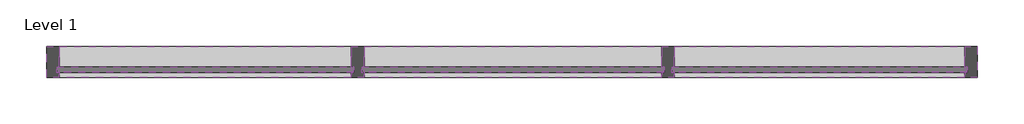
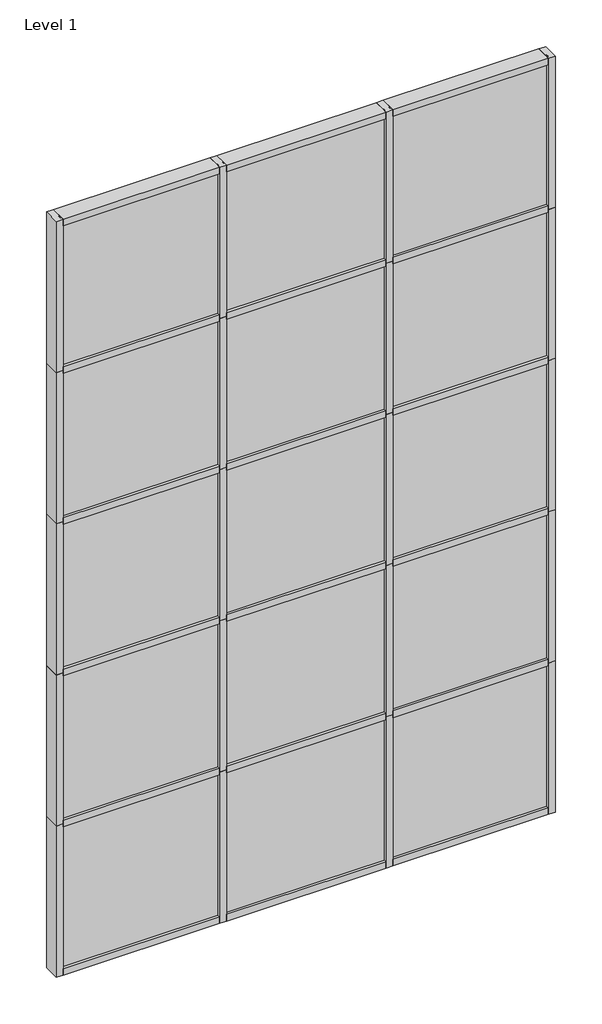
# One storey: 38 members, 15 plates.
"""IFC4 building model written with IfcOpenShell, lengths in millimetres."""

import ifcopenshell
import ifcopenshell.guid

model = None  # the IFC model being written
_history = None  # IfcOwnerHistory: only IFC2X3 demands one
_inside = {}  # id of a spatial element -> (the spatial element, [elements in it])
_under = {}  # id of a project, library or spatial element -> (it, [spatial elements below it])
_declared = {}  # id of a project -> (the project, [libraries it declares])
_typed = {}  # id of a type object -> (the type object, [elements of that type])
_made_of = {}  # id of a material, layer set ... -> (it, [elements and type objects made of it])


def new_model(schema):
    """Start an empty IFC model of exactly this schema.

    Asked for "IFC4X3", IfcOpenShell would pick the latest addendum, in which some entities
    have other attributes; the version numbers below select the first issue.
    IFC2X3 requires an IfcOwnerHistory on every rooted entity: one is made here for all.
    """
    global model, _history
    if schema == "IFC4X3":
        model = ifcopenshell.file(schema_version=(4, 3, 0, 0))
    else:
        model = ifcopenshell.file(schema=schema)
    _inside.clear()
    _under.clear()
    _declared.clear()
    _typed.clear()
    _made_of.clear()
    _history = None
    if model.schema == "IFC2X3":
        org = make("IfcOrganization", Name="unknown")
        user = make(
            "IfcPersonAndOrganization",
            ThePerson=make("IfcPerson", FamilyName="unknown"),
            TheOrganization=org,
        )
        app = make(
            "IfcApplication",
            ApplicationDeveloper=org,
            Version="unknown",
            ApplicationFullName="unknown",
            ApplicationIdentifier="unknown",
        )
        _history = make(
            "IfcOwnerHistory",
            OwningUser=user,
            OwningApplication=app,
            ChangeAction="ADDED",
            CreationDate=0,
        )
    return model


def make(cls, **values):
    """One entity of the class cls with the attributes given. An attribute that is None is left unset."""
    return model.create_entity(
        cls, **{name: value for name, value in values.items() if value is not None}
    )


def rooted(cls, **values):
    """An entity with a GlobalId (a new one), such as an element, a storey or a relation."""
    return make(cls, GlobalId=ifcopenshell.guid.new(), OwnerHistory=_history, **values)


def si_unit(unit_type, name, prefix=None):
    """IfcSIUnit, for example si_unit("LENGTHUNIT", "METRE", prefix="MILLI")."""
    return make("IfcSIUnit", UnitType=unit_type, Prefix=prefix, Name=name)


def assignment(units):
    """IfcUnitAssignment: the units of a project."""
    return None if units is None else make("IfcUnitAssignment", Units=units)


def point(xyz):
    """IfcCartesianPoint."""
    return None if xyz is None else make("IfcCartesianPoint", Coordinates=xyz)


def direction(xyz):
    """IfcDirection."""
    return None if xyz is None else make("IfcDirection", DirectionRatios=xyz)


def frame(location, z_axis=None, x_axis=None):
    """IfcAxis2Placement3D, a coordinate frame: its origin and axes. An axis left out is left unset."""
    return make(
        "IfcAxis2Placement3D",
        Location=point(location),
        Axis=direction(z_axis),
        RefDirection=direction(x_axis),
    )


def origin():
    """The frame at (0, 0, 0) with its axes left unset."""
    return frame((0.0, 0.0, 0.0))


def origin_with_axes():
    """The frame at (0, 0, 0) with the z axis (0, 0, 1) and the x axis (1, 0, 0) written out."""
    return frame((0.0, 0.0, 0.0), z_axis=(0.0, 0.0, 1.0), x_axis=(1.0, 0.0, 0.0))


def place(relative_to, where):
    """IfcLocalPlacement: puts the frame where relative to a parent placement (None: the world)."""
    return make(
        "IfcLocalPlacement", PlacementRelTo=relative_to, RelativePlacement=where
    )


def context(
    kind, dimensions, precision=None, world=None, true_north=None, identifier=None
):
    """IfcGeometricRepresentationContext, for example the 3D "Model" context."""
    return make(
        "IfcGeometricRepresentationContext",
        ContextIdentifier=identifier,
        ContextType=kind,
        CoordinateSpaceDimension=dimensions,
        Precision=precision,
        WorldCoordinateSystem=world,
        TrueNorth=true_north,
    )


def project(units=None, contexts=None):
    """IfcProject with its units and contexts."""
    return rooted(
        "IfcProject",
        Name="project",
        RepresentationContexts=contexts,
        UnitsInContext=assignment(units),
    )


def spatial(cls, under=None, at=None, **own):
    """A site, building, storey or space (cls), placed at a placement, below another one or the project."""
    s = rooted(cls, ObjectPlacement=at, **own)
    if under is not None:
        _under.setdefault(under.id(), (under, []))[1].append(s)
    return s


def polyline(points):
    """IfcPolyline through the points."""
    return make("IfcPolyline", Points=[point(p) for p in points])


def outline(outer, holes=None, kind="AREA"):
    """IfcArbitraryClosedProfileDef: a profile drawn as a closed curve; with holes, ...WithVoids."""
    if holes is None:
        return make("IfcArbitraryClosedProfileDef", ProfileType=kind, OuterCurve=outer)
    return make(
        "IfcArbitraryProfileDefWithVoids",
        ProfileType=kind,
        OuterCurve=outer,
        InnerCurves=holes,
    )


def extrude(swept, where, along, depth):
    """IfcExtrudedAreaSolid: the profile swept, set in the frame where, extruded along a direction by depth."""
    return make(
        "IfcExtrudedAreaSolid",
        SweptArea=swept,
        Position=where,
        ExtrudedDirection=direction(along),
        Depth=depth,
    )


def shape(context_of_items, identifier, shape_type, items):
    """IfcShapeRepresentation: the items that make up one representation, for example the "Body"."""
    return make(
        "IfcShapeRepresentation",
        ContextOfItems=context_of_items,
        RepresentationIdentifier=identifier,
        RepresentationType=shape_type,
        Items=items,
    )


def source(mapping_origin, context_of_items, identifier, shape_type, items):
    """IfcRepresentationMap: a shape defined once, which mapped items show again and again."""
    return make(
        "IfcRepresentationMap",
        MappingOrigin=mapping_origin,
        MappedRepresentation=shape(context_of_items, identifier, shape_type, items),
    )


def transform(
    local_origin,
    x_axis=None,
    y_axis=None,
    z_axis=None,
    scale=None,
    scale2=None,
    scale3=None,
    uniform=True,
):
    """IfcCartesianTransformationOperator3D, or its non-uniform kind. x_axis, y_axis, z_axis: its Axis1, 2, 3."""
    if uniform:
        return make(
            "IfcCartesianTransformationOperator3D",
            Axis1=direction(x_axis),
            Axis2=direction(y_axis),
            LocalOrigin=point(local_origin),
            Scale=scale,
            Axis3=direction(z_axis),
        )
    return make(
        "IfcCartesianTransformationOperator3DnonUniform",
        Axis1=direction(x_axis),
        Axis2=direction(y_axis),
        LocalOrigin=point(local_origin),
        Scale=scale,
        Axis3=direction(z_axis),
        Scale2=scale2,
        Scale3=scale3,
    )


def mapped(mapping_source, mapping_target):
    """IfcMappedItem: shows the shape of a source again, moved by a transform."""
    return make(
        "IfcMappedItem", MappingSource=mapping_source, MappingTarget=mapping_target
    )


def made_of(thing, what):
    """Note that an element or type object is made of a material, layer set ...; save() writes the relation."""
    if what is not None:
        _made_of.setdefault(what.id(), (what, []))[1].append(thing)
    return thing


def element(
    cls,
    number,
    at=None,
    inside=None,
    cuts=None,
    type_object=None,
    material=None,
    context=None,
    identifier="Body",
    shape_type=None,
    held_by="IfcProductDefinitionShape",
    body=None,
    shapes=None,
    **own,
):
    """One element of the class cls, such as IfcWall. Its Tag is "e" and its number.

    at: its placement. inside: the storey or other place that contains it. cuts: it is an
    opening in that element (IfcRelVoidsElement). A single representation is given by context,
    identifier, shape_type and body (its items); several are given by shapes. held_by: the class
    of the entity that holds the representations. save() writes the other relations.
    """
    e = rooted(cls, Tag="e%d" % number, ObjectPlacement=at, **own)
    if body is not None:
        shapes = [shape(context, identifier, shape_type, body)]
    if shapes is not None:
        e.Representation = make(held_by, Representations=shapes)
    if inside is not None:
        _inside.setdefault(inside.id(), (inside, []))[1].append(e)
    if cuts is not None:
        rooted(
            "IfcRelVoidsElement", RelatingBuildingElement=cuts, RelatedOpeningElement=e
        )
    if type_object is not None:
        _typed.setdefault(type_object.id(), (type_object, []))[1].append(e)
    return made_of(e, material)


def aggregate(whole, parts):
    """IfcRelAggregates: a whole, such as a stair, and the parts it consists of."""
    return rooted("IfcRelAggregates", RelatingObject=whole, RelatedObjects=parts)


def save(model, path):
    """Write the relations noted so far, then the file.

    IfcRelAggregates (storeys below a building ...), IfcRelContainedInSpatialStructure (elements
    in a storey), IfcRelDefinesByType, IfcRelAssociatesMaterial and IfcRelDeclares: one each for
    every whole, place, type object, material and project.
    """
    for whole, parts in _under.values():
        aggregate(whole, parts)
    for where, things in _inside.values():
        rooted(
            "IfcRelContainedInSpatialStructure",
            RelatedElements=things,
            RelatingStructure=where,
        )
    for kind, things in _typed.values():
        rooted("IfcRelDefinesByType", RelatedObjects=things, RelatingType=kind)
    for what, things in _made_of.values():
        rooted("IfcRelAssociatesMaterial", RelatedObjects=things, RelatingMaterial=what)
    for by, libraries in _declared.values():
        rooted("IfcRelDeclares", RelatingContext=by, RelatedDefinitions=libraries)
    model.write(path)


def rectangular_mullion_kawneer_1600_sys_3_6_mullion_head_7720c90a(model_context):
    return source(origin(), model_context, "Body", "SweptSolid", [
        extrude(outline(polyline([(-63.5, -114.3), (-63.5, -12.7), (-50.7982296, -12.7), (-50.7982296, 12.7), (-63.5, 12.7), (-63.5, 38.1), (0.0, 38.1), (0.0, -114.3), (-63.5, -114.3)])), frame((0.0, 0.0, -1424.4155973), z_axis=(0.0, 0.0, 1.0), x_axis=(1.0, 0.0, 0.0)), (0.0, 0.0, 1.0), 1424.4155973),
    ])


def rectangular_mullion_kawneer_1600_sys_3_6_mullion_head_f3f1471e(model_context):
    return source(origin(), model_context, "Body", "SweptSolid", [
        extrude(outline(polyline([(-63.5, -114.3), (-63.5, -12.7), (-50.7982296, -12.7), (-50.7982296, 12.7), (-63.5, 12.7), (-63.5, 38.1), (0.0, 38.1), (0.0, -114.3), (-63.5, -114.3)])), frame((0.0, 0.0, -1433.0844027), z_axis=(0.0, 0.0, 1.0), x_axis=(1.0, 0.0, 0.0)), (0.0, 0.0, 1.0), 1433.0844027),
    ])


def rectangular_mullion_kawneer_1600_sys_3_6_mullion_head_5498841b(model_context):
    return source(origin(), model_context, "Body", "SweptSolid", [
        extrude(outline(polyline([(-63.5, -114.3), (-63.5, -12.7), (-50.7982296, -12.7), (-50.7982296, 12.7), (-63.5, 12.7), (-63.5, 38.1), (0.0, 38.1), (0.0, -114.3), (-63.5, -114.3)])), frame((0.0, 0.0, -1460.5), z_axis=(0.0, 0.0, 1.0), x_axis=(1.0, 0.0, 0.0)), (0.0, 0.0, 1.0), 1460.5),
    ])


def rectangular_mullion_kawneer_1600_sys_3_6_mullion_horizontal_4b6db8d6(model_context):
    return source(origin(), model_context, "Body", "SweptSolid", [
        extrude(outline(polyline([(36.0844027, -114.3), (-27.4155973, -114.3), (-27.4155973, -12.7), (-14.7155973, -12.7), (-14.7155973, 12.7), (-27.4155973, 12.7), (-27.4155973, 38.1), (36.0844027, 38.1), (36.0844027, 12.7), (23.3826322, 12.7), (23.3826322, -12.7), (36.0844027, -12.7), (36.0844027, -114.3)])), frame((0.0, 0.0, -1433.0844027), z_axis=(0.0, 0.0, 1.0), x_axis=(1.0, 0.0, 0.0)), (0.0, 0.0, 1.0), 1433.0844027),
    ])


def rectangular_mullion_kawneer_1600_sys_3_6_mullion_horizontal_78cf1012(model_context):
    return source(origin(), model_context, "Body", "SweptSolid", [
        extrude(outline(polyline([(36.0844027, -114.3), (-27.4155973, -114.3), (-27.4155973, -12.7), (-14.7155973, -12.7), (-14.7155973, 12.7), (-27.4155973, 12.7), (-27.4155973, 38.1), (36.0844027, 38.1), (36.0844027, 12.7), (23.3826322, 12.7), (23.3826322, -12.7), (36.0844027, -12.7), (36.0844027, -114.3)])), frame((0.0, 0.0, -1460.5), z_axis=(0.0, 0.0, 1.0), x_axis=(1.0, 0.0, 0.0)), (0.0, 0.0, 1.0), 1460.5),
    ])


def rectangular_mullion_kawneer_1600_sys_3_6_mullion_horizontal_c7d92e75(model_context):
    return source(origin(), model_context, "Body", "SweptSolid", [
        extrude(outline(polyline([(36.0844027, -114.3), (-27.4155973, -114.3), (-27.4155973, -12.7), (-14.7155973, -12.7), (-14.7155973, 12.7), (-27.4155973, 12.7), (-27.4155973, 38.1), (36.0844027, 38.1), (36.0844027, 12.7), (23.3826322, 12.7), (23.3826322, -12.7), (36.0844027, -12.7), (36.0844027, -114.3)])), frame((0.0, 0.0, -1424.4155973), z_axis=(0.0, 0.0, 1.0), x_axis=(1.0, 0.0, 0.0)), (0.0, 0.0, 1.0), 1424.4155973),
    ])


def rectangular_mullion_kawneer_1600_sys_3_6_mullion_jamb_l_1a0ed977(model_context):
    return source(origin(), model_context, "Body", "SweptSolid", [
        extrude(outline(polyline([(-63.5, -114.3), (-63.5, -12.7), (-50.7982296, -12.7), (-50.7982296, 12.7), (-63.5, 12.7), (-63.5, 38.1), (0.0, 38.1), (0.0, -114.3), (-63.5, -114.3)])), frame((0.0, 0.0, -1463.04), z_axis=(0.0, 0.0, 1.0), x_axis=(1.0, 0.0, 0.0)), (0.0, 0.0, 1.0), 1463.04),
    ])


def rectangular_mullion_kawneer_1600_sys_3_6_mullion_vertical_940222d6(model_context):
    return source(origin(), model_context, "Body", "SweptSolid", [
        extrude(outline(polyline([(36.0844027, -114.3), (-27.4155973, -114.3), (-27.4155973, -12.7), (-14.7155973, -12.7), (-14.7155973, 12.7), (-27.4155973, 12.7), (-27.4155973, 38.1), (36.0844027, 38.1), (36.0844027, 12.7), (23.3826322, 12.7), (23.3826322, -12.7), (36.0844027, -12.7), (36.0844027, -114.3)])), frame((0.0, 0.0, -1463.04), z_axis=(0.0, 0.0, 1.0), x_axis=(1.0, 0.0, 0.0)), (0.0, 0.0, 1.0), 1463.04),
    ])


def plate_e52e743c(model_context):
    return source(origin(), model_context, "Body", "SweptSolid", [
        extrude(outline(polyline([(729.2430865, -12.7), (-729.2430865, -12.7), (-729.2430865, 12.7), (729.2430865, 12.7), (729.2430865, -12.7)])), origin_with_axes(), (0.0, 0.0, 1.0), 1397.5261731),
    ])


def plate_84a3765b(model_context):
    return source(origin(), model_context, "Body", "SweptSolid", [
        extrude(outline(polyline([(729.2430865, -12.7), (-729.2430865, -12.7), (-729.2430865, 12.7), (729.2430865, 12.7), (729.2430865, -12.7)])), origin_with_axes(), (0.0, 0.0, 1.0), 1424.9417704),
    ])


def plate_def5feae(model_context):
    return source(origin(), model_context, "Body", "SweptSolid", [
        extrude(outline(polyline([(742.9508852, -12.7), (-742.9508852, -12.7), (-742.9508852, 12.7), (742.9508852, 12.7), (742.9508852, -12.7)])), origin_with_axes(), (0.0, 0.0, 1.0), 1397.5261731),
    ])


def plate_6e5e0575(model_context):
    return source(origin(), model_context, "Body", "SweptSolid", [
        extrude(outline(polyline([(742.9508852, -12.7), (-742.9508852, -12.7), (-742.9508852, 12.7), (742.9508852, 12.7), (742.9508852, -12.7)])), origin_with_axes(), (0.0, 0.0, 1.0), 1424.9417704),
    ])


def plate_3507926e(model_context):
    return source(origin(), model_context, "Body", "SweptSolid", [
        extrude(outline(polyline([(724.9095691, -12.7), (-724.9095691, -12.7), (-724.9095691, 12.7), (724.9095691, 12.7), (724.9095691, -12.7)])), origin_with_axes(), (0.0, 0.0, 1.0), 1397.5261731),
    ])


def plate_f3bad645(model_context):
    return source(origin(), model_context, "Body", "SweptSolid", [
        extrude(outline(polyline([(724.9095691, -12.7), (-724.9095691, -12.7), (-724.9095691, 12.7), (724.9095691, 12.7), (724.9095691, -12.7)])), origin_with_axes(), (0.0, 0.0, 1.0), 1424.9417704),
    ])


def plate_84efa00e(model_context):
    return source(origin(), model_context, "Body", "SweptSolid", [
        extrude(outline(polyline([(729.2430865, -12.7), (-729.2430865, -12.7), (-729.2430865, 12.7), (729.2430865, 12.7), (729.2430865, -12.7)])), origin_with_axes(), (0.0, 0.0, 1.0), 1388.8591382),
    ])


def plate_d9548aca(model_context):
    return source(origin(), model_context, "Body", "SweptSolid", [
        extrude(outline(polyline([(742.9508852, -12.7), (-742.9508852, -12.7), (-742.9508852, 12.7), (742.9508852, 12.7), (742.9508852, -12.7)])), origin_with_axes(), (0.0, 0.0, 1.0), 1388.8591382),
    ])


def plate_4c2ba665(model_context):
    return source(origin(), model_context, "Body", "SweptSolid", [
        extrude(outline(polyline([(724.9095691, -12.7), (-724.9095691, -12.7), (-724.9095691, 12.7), (724.9095691, 12.7), (724.9095691, -12.7)])), origin_with_axes(), (0.0, 0.0, 1.0), 1388.8591382),
    ])


model = new_model("IFC4")

# Units and contexts
model_context = context("Model", 3, world=origin())
ifc_project = project(units=[si_unit("LENGTHUNIT", "METRE", prefix="MILLI")], contexts=[model_context])

# Site, building, storey
site = spatial("IfcSite", under=ifc_project)
building = spatial("IfcBuilding", under=site)
storey = spatial("IfcBuildingStorey", under=building, Name="Level 1", Elevation=0.0)

# Members
placement = place(None, origin())
rectangular_mullion_kawneer_1600_sys_3_6_mullion_head_shape = rectangular_mullion_kawneer_1600_sys_3_6_mullion_head_7720c90a(model_context)
element("IfcMember", 1, ObjectType="Rectangular Mullion : Kawneer-1600_Sys_3-6 Mullion_Head", at=placement, inside=storey, context=model_context, shape_type="MappedRepresentation", body=[
    mapped(rectangular_mullion_kawneer_1600_sys_3_6_mullion_head_shape, transform((7949.4882675, 4173.5366393, 7315.2), x_axis=(0.0, 0.0, 1.0), y_axis=(0.0, -1.0, 0.0), z_axis=(1.0, 0.0, 0.0))),
])
rectangular_mullion_kawneer_1600_sys_3_6_mullion_head_2_shape = rectangular_mullion_kawneer_1600_sys_3_6_mullion_head_f3f1471e(model_context)
element("IfcMember", 2, ObjectType="Rectangular Mullion : Kawneer-1600_Sys_3-6 Mullion_Head", at=placement, inside=storey, context=model_context, shape_type="MappedRepresentation", body=[
    mapped(rectangular_mullion_kawneer_1600_sys_3_6_mullion_head_2_shape, transform((4937.5726702, 4173.5366393, 7315.2), x_axis=(0.0, 0.0, 1.0), y_axis=(0.0, -1.0, 0.0), z_axis=(1.0, 0.0, 0.0))),
])
rectangular_mullion_kawneer_1600_sys_3_6_mullion_head_3_shape = rectangular_mullion_kawneer_1600_sys_3_6_mullion_head_5498841b(model_context)
element("IfcMember", 3, ObjectType="Rectangular Mullion : Kawneer-1600_Sys_3-6 Mullion_Head", at=placement, inside=storey, context=model_context, shape_type="MappedRepresentation", body=[
    mapped(rectangular_mullion_kawneer_1600_sys_3_6_mullion_head_3_shape, transform((6461.5726702, 4173.5366393, 7315.2), x_axis=(0.0, 0.0, 1.0), y_axis=(0.0, -1.0, 0.0), z_axis=(1.0, 0.0, 0.0))),
])
rectangular_mullion_kawneer_1600_sys_3_6_mullion_horizontal_shape = rectangular_mullion_kawneer_1600_sys_3_6_mullion_horizontal_4b6db8d6(model_context)
element("IfcMember", 4, ObjectType="Rectangular Mullion : Kawneer-1600_Sys_3-6 Mullion_Horizontal", at=placement, inside=storey, context=model_context, shape_type="MappedRepresentation", body=[
    mapped(rectangular_mullion_kawneer_1600_sys_3_6_mullion_horizontal_shape, transform((4937.5726702, 4173.5366393, 1463.04), x_axis=(0.0, 0.0, 1.0), y_axis=(0.0, -1.0, 0.0), z_axis=(1.0, 0.0, 0.0))),
])
element("IfcMember", 5, ObjectType="Rectangular Mullion : Kawneer-1600_Sys_3-6 Mullion_Horizontal", at=placement, inside=storey, context=model_context, shape_type="MappedRepresentation", body=[
    mapped(rectangular_mullion_kawneer_1600_sys_3_6_mullion_horizontal_shape, transform((4937.5726702, 4173.5366393, 2926.08), x_axis=(0.0, 0.0, 1.0), y_axis=(0.0, -1.0, 0.0), z_axis=(1.0, 0.0, 0.0))),
])
element("IfcMember", 6, ObjectType="Rectangular Mullion : Kawneer-1600_Sys_3-6 Mullion_Horizontal", at=placement, inside=storey, context=model_context, shape_type="MappedRepresentation", body=[
    mapped(rectangular_mullion_kawneer_1600_sys_3_6_mullion_horizontal_shape, transform((4937.5726702, 4173.5366393, 4389.12), x_axis=(0.0, 0.0, 1.0), y_axis=(0.0, -1.0, 0.0), z_axis=(1.0, 0.0, 0.0))),
])
element("IfcMember", 7, ObjectType="Rectangular Mullion : Kawneer-1600_Sys_3-6 Mullion_Horizontal", at=placement, inside=storey, context=model_context, shape_type="MappedRepresentation", body=[
    mapped(rectangular_mullion_kawneer_1600_sys_3_6_mullion_horizontal_shape, transform((4937.5726702, 4173.5366393, 5852.16), x_axis=(0.0, 0.0, 1.0), y_axis=(0.0, -1.0, 0.0), z_axis=(1.0, 0.0, 0.0))),
])
rectangular_mullion_kawneer_1600_sys_3_6_mullion_horizontal_2_shape = rectangular_mullion_kawneer_1600_sys_3_6_mullion_horizontal_78cf1012(model_context)
element("IfcMember", 8, ObjectType="Rectangular Mullion : Kawneer-1600_Sys_3-6 Mullion_Horizontal", at=placement, inside=storey, context=model_context, shape_type="MappedRepresentation", body=[
    mapped(rectangular_mullion_kawneer_1600_sys_3_6_mullion_horizontal_2_shape, transform((6461.5726702, 4173.5366393, 1463.04), x_axis=(0.0, 0.0, 1.0), y_axis=(0.0, -1.0, 0.0), z_axis=(1.0, 0.0, 0.0))),
])
element("IfcMember", 9, ObjectType="Rectangular Mullion : Kawneer-1600_Sys_3-6 Mullion_Horizontal", at=placement, inside=storey, context=model_context, shape_type="MappedRepresentation", body=[
    mapped(rectangular_mullion_kawneer_1600_sys_3_6_mullion_horizontal_2_shape, transform((6461.5726702, 4173.5366393, 2926.08), x_axis=(0.0, 0.0, 1.0), y_axis=(0.0, -1.0, 0.0), z_axis=(1.0, 0.0, 0.0))),
])
element("IfcMember", 10, ObjectType="Rectangular Mullion : Kawneer-1600_Sys_3-6 Mullion_Horizontal", at=placement, inside=storey, context=model_context, shape_type="MappedRepresentation", body=[
    mapped(rectangular_mullion_kawneer_1600_sys_3_6_mullion_horizontal_2_shape, transform((6461.5726702, 4173.5366393, 4389.12), x_axis=(0.0, 0.0, 1.0), y_axis=(0.0, -1.0, 0.0), z_axis=(1.0, 0.0, 0.0))),
])
element("IfcMember", 11, ObjectType="Rectangular Mullion : Kawneer-1600_Sys_3-6 Mullion_Horizontal", at=placement, inside=storey, context=model_context, shape_type="MappedRepresentation", body=[
    mapped(rectangular_mullion_kawneer_1600_sys_3_6_mullion_horizontal_2_shape, transform((6461.5726702, 4173.5366393, 5852.16), x_axis=(0.0, 0.0, 1.0), y_axis=(0.0, -1.0, 0.0), z_axis=(1.0, 0.0, 0.0))),
])
rectangular_mullion_kawneer_1600_sys_3_6_mullion_horizontal_3_shape = rectangular_mullion_kawneer_1600_sys_3_6_mullion_horizontal_c7d92e75(model_context)
element("IfcMember", 12, ObjectType="Rectangular Mullion : Kawneer-1600_Sys_3-6 Mullion_Horizontal", at=placement, inside=storey, context=model_context, shape_type="MappedRepresentation", body=[
    mapped(rectangular_mullion_kawneer_1600_sys_3_6_mullion_horizontal_3_shape, transform((7949.4882675, 4173.5366393, 1463.04), x_axis=(0.0, 0.0, 1.0), y_axis=(0.0, -1.0, 0.0), z_axis=(1.0, 0.0, 0.0))),
])
element("IfcMember", 13, ObjectType="Rectangular Mullion : Kawneer-1600_Sys_3-6 Mullion_Horizontal", at=placement, inside=storey, context=model_context, shape_type="MappedRepresentation", body=[
    mapped(rectangular_mullion_kawneer_1600_sys_3_6_mullion_horizontal_3_shape, transform((7949.4882675, 4173.5366393, 2926.08), x_axis=(0.0, 0.0, 1.0), y_axis=(0.0, -1.0, 0.0), z_axis=(1.0, 0.0, 0.0))),
])
element("IfcMember", 14, ObjectType="Rectangular Mullion : Kawneer-1600_Sys_3-6 Mullion_Horizontal", at=placement, inside=storey, context=model_context, shape_type="MappedRepresentation", body=[
    mapped(rectangular_mullion_kawneer_1600_sys_3_6_mullion_horizontal_3_shape, transform((7949.4882675, 4173.5366393, 4389.12), x_axis=(0.0, 0.0, 1.0), y_axis=(0.0, -1.0, 0.0), z_axis=(1.0, 0.0, 0.0))),
])
element("IfcMember", 15, ObjectType="Rectangular Mullion : Kawneer-1600_Sys_3-6 Mullion_Horizontal", at=placement, inside=storey, context=model_context, shape_type="MappedRepresentation", body=[
    mapped(rectangular_mullion_kawneer_1600_sys_3_6_mullion_horizontal_3_shape, transform((7949.4882675, 4173.5366393, 5852.16), x_axis=(0.0, 0.0, 1.0), y_axis=(0.0, -1.0, 0.0), z_axis=(1.0, 0.0, 0.0))),
])
rectangular_mullion_kawneer_1600_sys_3_6_mullion_jamb_l_shape = rectangular_mullion_kawneer_1600_sys_3_6_mullion_jamb_l_1a0ed977(model_context)
element("IfcMember", 16, ObjectType="Rectangular Mullion : Kawneer-1600_Sys_3-6 Mullion_Jamb L", at=placement, inside=storey, context=model_context, shape_type="MappedRepresentation", body=[
    mapped(rectangular_mullion_kawneer_1600_sys_3_6_mullion_jamb_l_shape, transform((3440.9882675, 4173.5366393, 7315.2), x_axis=(-1.0, 0.0, 0.0), y_axis=(0.0, -1.0, 0.0), z_axis=(0.0, 0.0, 1.0))),
])
element("IfcMember", 17, ObjectType="Rectangular Mullion : Kawneer-1600_Sys_3-6 Mullion_Jamb L", at=placement, inside=storey, context=model_context, shape_type="MappedRepresentation", body=[
    mapped(rectangular_mullion_kawneer_1600_sys_3_6_mullion_jamb_l_shape, transform((3440.9882675, 4173.5366393, 1463.04), x_axis=(-1.0, 0.0, 0.0), y_axis=(0.0, -1.0, 0.0), z_axis=(0.0, 0.0, 1.0))),
])
element("IfcMember", 18, ObjectType="Rectangular Mullion : Kawneer-1600_Sys_3-6 Mullion_Jamb L", at=placement, inside=storey, context=model_context, shape_type="MappedRepresentation", body=[
    mapped(rectangular_mullion_kawneer_1600_sys_3_6_mullion_jamb_l_shape, transform((3440.9882675, 4173.5366393, 2926.08), x_axis=(-1.0, 0.0, 0.0), y_axis=(0.0, -1.0, 0.0), z_axis=(0.0, 0.0, 1.0))),
])
element("IfcMember", 19, ObjectType="Rectangular Mullion : Kawneer-1600_Sys_3-6 Mullion_Jamb L", at=placement, inside=storey, context=model_context, shape_type="MappedRepresentation", body=[
    mapped(rectangular_mullion_kawneer_1600_sys_3_6_mullion_jamb_l_shape, transform((3440.9882675, 4173.5366393, 4389.12), x_axis=(-1.0, 0.0, 0.0), y_axis=(0.0, -1.0, 0.0), z_axis=(0.0, 0.0, 1.0))),
])
element("IfcMember", 20, ObjectType="Rectangular Mullion : Kawneer-1600_Sys_3-6 Mullion_Jamb L", at=placement, inside=storey, context=model_context, shape_type="MappedRepresentation", body=[
    mapped(rectangular_mullion_kawneer_1600_sys_3_6_mullion_jamb_l_shape, transform((3440.9882675, 4173.5366393, 5852.16), x_axis=(-1.0, 0.0, 0.0), y_axis=(0.0, -1.0, 0.0), z_axis=(0.0, 0.0, 1.0))),
])
element("IfcMember", 21, ObjectType="Rectangular Mullion : Kawneer-1600_Sys_3-6 Mullion_Jamb R", at=placement, inside=storey, context=model_context, shape_type="MappedRepresentation", body=[
    mapped(rectangular_mullion_kawneer_1600_sys_3_6_mullion_jamb_l_shape, transform((8012.9882675, 4173.5366393, 0.0), x_axis=(1.0, 0.0, 0.0), y_axis=(0.0, -1.0, 0.0), z_axis=(0.0, 0.0, -1.0))),
])
element("IfcMember", 22, ObjectType="Rectangular Mullion : Kawneer-1600_Sys_3-6 Mullion_Jamb R", at=placement, inside=storey, context=model_context, shape_type="MappedRepresentation", body=[
    mapped(rectangular_mullion_kawneer_1600_sys_3_6_mullion_jamb_l_shape, transform((8012.9882675, 4173.5366393, 1463.04), x_axis=(1.0, 0.0, 0.0), y_axis=(0.0, -1.0, 0.0), z_axis=(0.0, 0.0, -1.0))),
])
element("IfcMember", 23, ObjectType="Rectangular Mullion : Kawneer-1600_Sys_3-6 Mullion_Jamb R", at=placement, inside=storey, context=model_context, shape_type="MappedRepresentation", body=[
    mapped(rectangular_mullion_kawneer_1600_sys_3_6_mullion_jamb_l_shape, transform((8012.9882675, 4173.5366393, 2926.08), x_axis=(1.0, 0.0, 0.0), y_axis=(0.0, -1.0, 0.0), z_axis=(0.0, 0.0, -1.0))),
])
element("IfcMember", 24, ObjectType="Rectangular Mullion : Kawneer-1600_Sys_3-6 Mullion_Jamb R", at=placement, inside=storey, context=model_context, shape_type="MappedRepresentation", body=[
    mapped(rectangular_mullion_kawneer_1600_sys_3_6_mullion_jamb_l_shape, transform((8012.9882675, 4173.5366393, 4389.12), x_axis=(1.0, 0.0, 0.0), y_axis=(0.0, -1.0, 0.0), z_axis=(0.0, 0.0, -1.0))),
])
element("IfcMember", 25, ObjectType="Rectangular Mullion : Kawneer-1600_Sys_3-6 Mullion_Jamb R", at=placement, inside=storey, context=model_context, shape_type="MappedRepresentation", body=[
    mapped(rectangular_mullion_kawneer_1600_sys_3_6_mullion_jamb_l_shape, transform((8012.9882675, 4173.5366393, 5852.16), x_axis=(1.0, 0.0, 0.0), y_axis=(0.0, -1.0, 0.0), z_axis=(0.0, 0.0, -1.0))),
])
element("IfcMember", 26, ObjectType="Rectangular Mullion : Kawneer-1600_Sys_3-6 Mullion_Sill", at=placement, inside=storey, context=model_context, shape_type="MappedRepresentation", body=[
    mapped(rectangular_mullion_kawneer_1600_sys_3_6_mullion_head_2_shape, transform((3504.4882675, 4173.5366393, 0.0), x_axis=(0.0, 0.0, -1.0), y_axis=(0.0, -1.0, 0.0), z_axis=(-1.0, 0.0, 0.0))),
])
element("IfcMember", 27, ObjectType="Rectangular Mullion : Kawneer-1600_Sys_3-6 Mullion_Sill", at=placement, inside=storey, context=model_context, shape_type="MappedRepresentation", body=[
    mapped(rectangular_mullion_kawneer_1600_sys_3_6_mullion_head_3_shape, transform((5001.0726702, 4173.5366393, 0.0), x_axis=(0.0, 0.0, -1.0), y_axis=(0.0, -1.0, 0.0), z_axis=(-1.0, 0.0, 0.0))),
])
element("IfcMember", 28, ObjectType="Rectangular Mullion : Kawneer-1600_Sys_3-6 Mullion_Sill", at=placement, inside=storey, context=model_context, shape_type="MappedRepresentation", body=[
    mapped(rectangular_mullion_kawneer_1600_sys_3_6_mullion_head_shape, transform((6525.0726702, 4173.5366393, 0.0), x_axis=(0.0, 0.0, -1.0), y_axis=(0.0, -1.0, 0.0), z_axis=(-1.0, 0.0, 0.0))),
])
rectangular_mullion_kawneer_1600_sys_3_6_mullion_vertical_shape = rectangular_mullion_kawneer_1600_sys_3_6_mullion_vertical_940222d6(model_context)
element("IfcMember", 29, ObjectType="Rectangular Mullion : Kawneer-1600_Sys_3-6 Mullion_Vertical", at=placement, inside=storey, context=model_context, shape_type="MappedRepresentation", body=[
    mapped(rectangular_mullion_kawneer_1600_sys_3_6_mullion_vertical_shape, transform((4964.9882675, 4173.5366393, 0.0), x_axis=(1.0, 0.0, 0.0), y_axis=(0.0, -1.0, 0.0), z_axis=(0.0, 0.0, -1.0))),
])
element("IfcMember", 30, ObjectType="Rectangular Mullion : Kawneer-1600_Sys_3-6 Mullion_Vertical", at=placement, inside=storey, context=model_context, shape_type="MappedRepresentation", body=[
    mapped(rectangular_mullion_kawneer_1600_sys_3_6_mullion_vertical_shape, transform((6488.9882675, 4173.5366393, 0.0), x_axis=(1.0, 0.0, 0.0), y_axis=(0.0, -1.0, 0.0), z_axis=(0.0, 0.0, -1.0))),
])
element("IfcMember", 31, ObjectType="Rectangular Mullion : Kawneer-1600_Sys_3-6 Mullion_Vertical", at=placement, inside=storey, context=model_context, shape_type="MappedRepresentation", body=[
    mapped(rectangular_mullion_kawneer_1600_sys_3_6_mullion_vertical_shape, transform((4964.9882675, 4173.5366393, 1463.04), x_axis=(1.0, 0.0, 0.0), y_axis=(0.0, -1.0, 0.0), z_axis=(0.0, 0.0, -1.0))),
])
element("IfcMember", 32, ObjectType="Rectangular Mullion : Kawneer-1600_Sys_3-6 Mullion_Vertical", at=placement, inside=storey, context=model_context, shape_type="MappedRepresentation", body=[
    mapped(rectangular_mullion_kawneer_1600_sys_3_6_mullion_vertical_shape, transform((6488.9882675, 4173.5366393, 1463.04), x_axis=(1.0, 0.0, 0.0), y_axis=(0.0, -1.0, 0.0), z_axis=(0.0, 0.0, -1.0))),
])
element("IfcMember", 33, ObjectType="Rectangular Mullion : Kawneer-1600_Sys_3-6 Mullion_Vertical", at=placement, inside=storey, context=model_context, shape_type="MappedRepresentation", body=[
    mapped(rectangular_mullion_kawneer_1600_sys_3_6_mullion_vertical_shape, transform((4964.9882675, 4173.5366393, 2926.08), x_axis=(1.0, 0.0, 0.0), y_axis=(0.0, -1.0, 0.0), z_axis=(0.0, 0.0, -1.0))),
])
element("IfcMember", 34, ObjectType="Rectangular Mullion : Kawneer-1600_Sys_3-6 Mullion_Vertical", at=placement, inside=storey, context=model_context, shape_type="MappedRepresentation", body=[
    mapped(rectangular_mullion_kawneer_1600_sys_3_6_mullion_vertical_shape, transform((6488.9882675, 4173.5366393, 2926.08), x_axis=(1.0, 0.0, 0.0), y_axis=(0.0, -1.0, 0.0), z_axis=(0.0, 0.0, -1.0))),
])
element("IfcMember", 35, ObjectType="Rectangular Mullion : Kawneer-1600_Sys_3-6 Mullion_Vertical", at=placement, inside=storey, context=model_context, shape_type="MappedRepresentation", body=[
    mapped(rectangular_mullion_kawneer_1600_sys_3_6_mullion_vertical_shape, transform((4964.9882675, 4173.5366393, 4389.12), x_axis=(1.0, 0.0, 0.0), y_axis=(0.0, -1.0, 0.0), z_axis=(0.0, 0.0, -1.0))),
])
element("IfcMember", 36, ObjectType="Rectangular Mullion : Kawneer-1600_Sys_3-6 Mullion_Vertical", at=placement, inside=storey, context=model_context, shape_type="MappedRepresentation", body=[
    mapped(rectangular_mullion_kawneer_1600_sys_3_6_mullion_vertical_shape, transform((6488.9882675, 4173.5366393, 4389.12), x_axis=(1.0, 0.0, 0.0), y_axis=(0.0, -1.0, 0.0), z_axis=(0.0, 0.0, -1.0))),
])
element("IfcMember", 37, ObjectType="Rectangular Mullion : Kawneer-1600_Sys_3-6 Mullion_Vertical", at=placement, inside=storey, context=model_context, shape_type="MappedRepresentation", body=[
    mapped(rectangular_mullion_kawneer_1600_sys_3_6_mullion_vertical_shape, transform((4964.9882675, 4173.5366393, 5852.16), x_axis=(1.0, 0.0, 0.0), y_axis=(0.0, -1.0, 0.0), z_axis=(0.0, 0.0, -1.0))),
])
element("IfcMember", 38, ObjectType="Rectangular Mullion : Kawneer-1600_Sys_3-6 Mullion_Vertical", at=placement, inside=storey, context=model_context, shape_type="MappedRepresentation", body=[
    mapped(rectangular_mullion_kawneer_1600_sys_3_6_mullion_vertical_shape, transform((6488.9882675, 4173.5366393, 5852.16), x_axis=(1.0, 0.0, 0.0), y_axis=(0.0, -1.0, 0.0), z_axis=(0.0, 0.0, -1.0))),
])

# Plates
plate_shape = plate_e52e743c(model_context)
element("IfcPlate", 39, ObjectType="System Panel : 1\" Glass", at=placement, inside=storey, context=model_context, shape_type="MappedRepresentation", body=[
    mapped(plate_shape, transform((4221.0295837, 4173.5366393, 50.7982296), x_axis=(1.0, 0.0, 0.0), y_axis=(0.0, 1.0, 0.0), z_axis=(0.0, 0.0, 1.0))),
])
plate_2_shape = plate_84a3765b(model_context)
element("IfcPlate", 40, ObjectType="System Panel : 1\" Glass", at=placement, inside=storey, context=model_context, shape_type="MappedRepresentation", body=[
    mapped(plate_2_shape, transform((4221.0295837, 4173.5366393, 1486.4226322), x_axis=(1.0, 0.0, 0.0), y_axis=(0.0, 1.0, 0.0), z_axis=(0.0, 0.0, 1.0))),
])
element("IfcPlate", 41, ObjectType="System Panel : 1\" Glass", at=placement, inside=storey, context=model_context, shape_type="MappedRepresentation", body=[
    mapped(plate_2_shape, transform((4221.0295837, 4173.5366393, 2949.4626322), x_axis=(1.0, 0.0, 0.0), y_axis=(0.0, 1.0, 0.0), z_axis=(0.0, 0.0, 1.0))),
])
element("IfcPlate", 42, ObjectType="System Panel : 1\" Glass", at=placement, inside=storey, context=model_context, shape_type="MappedRepresentation", body=[
    mapped(plate_2_shape, transform((4221.0295837, 4173.5366393, 4412.5026322), x_axis=(1.0, 0.0, 0.0), y_axis=(0.0, 1.0, 0.0), z_axis=(0.0, 0.0, 1.0))),
])
plate_3_shape = plate_def5feae(model_context)
element("IfcPlate", 43, ObjectType="System Panel : 1\" Glass", at=placement, inside=storey, context=model_context, shape_type="MappedRepresentation", body=[
    mapped(plate_3_shape, transform((5731.321785, 4173.5366393, 50.7982296), x_axis=(1.0, 0.0, 0.0), y_axis=(0.0, 1.0, 0.0), z_axis=(0.0, 0.0, 1.0))),
])
plate_4_shape = plate_6e5e0575(model_context)
element("IfcPlate", 44, ObjectType="System Panel : 1\" Glass", at=placement, inside=storey, context=model_context, shape_type="MappedRepresentation", body=[
    mapped(plate_4_shape, transform((5731.321785, 4173.5366393, 1486.4226322), x_axis=(1.0, 0.0, 0.0), y_axis=(0.0, 1.0, 0.0), z_axis=(0.0, 0.0, 1.0))),
])
element("IfcPlate", 45, ObjectType="System Panel : 1\" Glass", at=placement, inside=storey, context=model_context, shape_type="MappedRepresentation", body=[
    mapped(plate_4_shape, transform((5731.321785, 4173.5366393, 2949.4626322), x_axis=(1.0, 0.0, 0.0), y_axis=(0.0, 1.0, 0.0), z_axis=(0.0, 0.0, 1.0))),
])
element("IfcPlate", 46, ObjectType="System Panel : 1\" Glass", at=placement, inside=storey, context=model_context, shape_type="MappedRepresentation", body=[
    mapped(plate_4_shape, transform((5731.321785, 4173.5366393, 4412.5026322), x_axis=(1.0, 0.0, 0.0), y_axis=(0.0, 1.0, 0.0), z_axis=(0.0, 0.0, 1.0))),
])
plate_5_shape = plate_3507926e(model_context)
element("IfcPlate", 47, ObjectType="System Panel : 1\" Glass", at=placement, inside=storey, context=model_context, shape_type="MappedRepresentation", body=[
    mapped(plate_5_shape, transform((7237.2804689, 4173.5366393, 50.7982296), x_axis=(1.0, 0.0, 0.0), y_axis=(0.0, 1.0, 0.0), z_axis=(0.0, 0.0, 1.0))),
])
plate_6_shape = plate_f3bad645(model_context)
element("IfcPlate", 48, ObjectType="System Panel : 1\" Glass", at=placement, inside=storey, context=model_context, shape_type="MappedRepresentation", body=[
    mapped(plate_6_shape, transform((7237.2804689, 4173.5366393, 1486.4226322), x_axis=(1.0, 0.0, 0.0), y_axis=(0.0, 1.0, 0.0), z_axis=(0.0, 0.0, 1.0))),
])
element("IfcPlate", 49, ObjectType="System Panel : 1\" Glass", at=placement, inside=storey, context=model_context, shape_type="MappedRepresentation", body=[
    mapped(plate_6_shape, transform((7237.2804689, 4173.5366393, 2949.4626322), x_axis=(1.0, 0.0, 0.0), y_axis=(0.0, 1.0, 0.0), z_axis=(0.0, 0.0, 1.0))),
])
element("IfcPlate", 50, ObjectType="System Panel : 1\" Glass", at=placement, inside=storey, context=model_context, shape_type="MappedRepresentation", body=[
    mapped(plate_6_shape, transform((7237.2804689, 4173.5366393, 4412.5026322), x_axis=(1.0, 0.0, 0.0), y_axis=(0.0, 1.0, 0.0), z_axis=(0.0, 0.0, 1.0))),
])
plate_7_shape = plate_84efa00e(model_context)
element("IfcPlate", 51, ObjectType="System Panel : 1\" Glass", at=placement, inside=storey, context=model_context, shape_type="MappedRepresentation", body=[
    mapped(plate_7_shape, transform((4221.0295837, 4173.5366393, 5875.5426322), x_axis=(1.0, 0.0, 0.0), y_axis=(0.0, 1.0, 0.0), z_axis=(0.0, 0.0, 1.0))),
])
plate_8_shape = plate_d9548aca(model_context)
element("IfcPlate", 52, ObjectType="System Panel : 1\" Glass", at=placement, inside=storey, context=model_context, shape_type="MappedRepresentation", body=[
    mapped(plate_8_shape, transform((5731.321785, 4173.5366393, 5875.5426322), x_axis=(1.0, 0.0, 0.0), y_axis=(0.0, 1.0, 0.0), z_axis=(0.0, 0.0, 1.0))),
])
plate_9_shape = plate_4c2ba665(model_context)
element("IfcPlate", 53, ObjectType="System Panel : 1\" Glass", at=placement, inside=storey, context=model_context, shape_type="MappedRepresentation", body=[
    mapped(plate_9_shape, transform((7237.2804689, 4173.5366393, 5875.5426322), x_axis=(1.0, 0.0, 0.0), y_axis=(0.0, 1.0, 0.0), z_axis=(0.0, 0.0, 1.0))),
])

save(model, "model.ifc")
